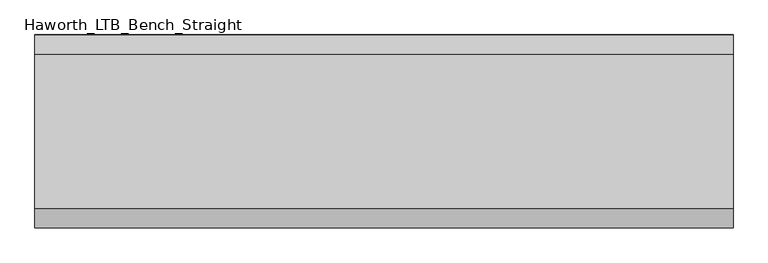
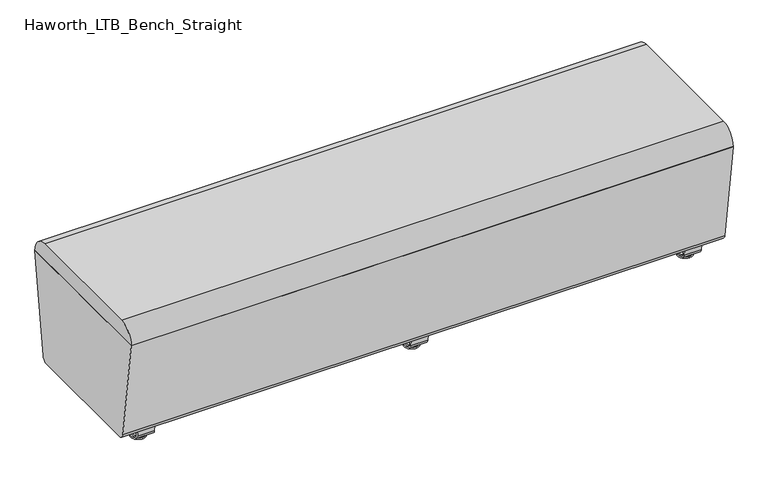
"""IFC4 building model written with IfcOpenShell, lengths in millimetres: furniture geometry, Haworth_LTB_Bench_Straight."""

import ifcopenshell
import ifcopenshell.guid

model = None  # the IFC model being written
_history = None  # IfcOwnerHistory: only IFC2X3 demands one
_inside = {}  # id of a spatial element -> (the spatial element, [elements in it])
_under = {}  # id of a project, library or spatial element -> (it, [spatial elements below it])
_declared = {}  # id of a project -> (the project, [libraries it declares])
_typed = {}  # id of a type object -> (the type object, [elements of that type])
_made_of = {}  # id of a material, layer set ... -> (it, [elements and type objects made of it])


def new_model(schema):
    """Start an empty IFC model of exactly this schema.

    Asked for "IFC4X3", IfcOpenShell would pick the latest addendum, in which some entities
    have other attributes; the version numbers below select the first issue.
    IFC2X3 requires an IfcOwnerHistory on every rooted entity: one is made here for all.
    """
    global model, _history
    if schema == "IFC4X3":
        model = ifcopenshell.file(schema_version=(4, 3, 0, 0))
    else:
        model = ifcopenshell.file(schema=schema)
    _inside.clear()
    _under.clear()
    _declared.clear()
    _typed.clear()
    _made_of.clear()
    _history = None
    if model.schema == "IFC2X3":
        org = make("IfcOrganization", Name="unknown")
        user = make(
            "IfcPersonAndOrganization",
            ThePerson=make("IfcPerson", FamilyName="unknown"),
            TheOrganization=org,
        )
        app = make(
            "IfcApplication",
            ApplicationDeveloper=org,
            Version="unknown",
            ApplicationFullName="unknown",
            ApplicationIdentifier="unknown",
        )
        _history = make(
            "IfcOwnerHistory",
            OwningUser=user,
            OwningApplication=app,
            ChangeAction="ADDED",
            CreationDate=0,
        )
    return model


def make(cls, **values):
    """One entity of the class cls with the attributes given. An attribute that is None is left unset."""
    return model.create_entity(
        cls, **{name: value for name, value in values.items() if value is not None}
    )


def rooted(cls, **values):
    """An entity with a GlobalId (a new one), such as an element, a storey or a relation."""
    return make(cls, GlobalId=ifcopenshell.guid.new(), OwnerHistory=_history, **values)


def si_unit(unit_type, name, prefix=None):
    """IfcSIUnit, for example si_unit("LENGTHUNIT", "METRE", prefix="MILLI")."""
    return make("IfcSIUnit", UnitType=unit_type, Prefix=prefix, Name=name)


def assignment(units):
    """IfcUnitAssignment: the units of a project."""
    return None if units is None else make("IfcUnitAssignment", Units=units)


def point(xyz):
    """IfcCartesianPoint."""
    return None if xyz is None else make("IfcCartesianPoint", Coordinates=xyz)


def direction(xyz):
    """IfcDirection."""
    return None if xyz is None else make("IfcDirection", DirectionRatios=xyz)


def frame(location, z_axis=None, x_axis=None):
    """IfcAxis2Placement3D, a coordinate frame: its origin and axes. An axis left out is left unset."""
    return make(
        "IfcAxis2Placement3D",
        Location=point(location),
        Axis=direction(z_axis),
        RefDirection=direction(x_axis),
    )


def frame_2d(location, x_axis=None):
    """IfcAxis2Placement2D, a coordinate frame in the plane: its origin and x axis."""
    return make(
        "IfcAxis2Placement2D", Location=point(location), RefDirection=direction(x_axis)
    )


def origin():
    """The frame at (0, 0, 0) with its axes left unset."""
    return frame((0.0, 0.0, 0.0))


def place(relative_to, where):
    """IfcLocalPlacement: puts the frame where relative to a parent placement (None: the world)."""
    return make(
        "IfcLocalPlacement", PlacementRelTo=relative_to, RelativePlacement=where
    )


def context(
    kind, dimensions, precision=None, world=None, true_north=None, identifier=None
):
    """IfcGeometricRepresentationContext, for example the 3D "Model" context."""
    return make(
        "IfcGeometricRepresentationContext",
        ContextIdentifier=identifier,
        ContextType=kind,
        CoordinateSpaceDimension=dimensions,
        Precision=precision,
        WorldCoordinateSystem=world,
        TrueNorth=true_north,
    )


def project(units=None, contexts=None):
    """IfcProject with its units and contexts."""
    return rooted(
        "IfcProject",
        Name="project",
        RepresentationContexts=contexts,
        UnitsInContext=assignment(units),
    )


def spatial(cls, under=None, at=None, **own):
    """A site, building, storey or space (cls), placed at a placement, below another one or the project."""
    s = rooted(cls, ObjectPlacement=at, **own)
    if under is not None:
        _under.setdefault(under.id(), (under, []))[1].append(s)
    return s


def polyline(points):
    """IfcPolyline through the points."""
    return make("IfcPolyline", Points=[point(p) for p in points])


def circle_curve(where, radius):
    """IfcCircle in the frame where."""
    return make("IfcCircle", Position=where, Radius=radius)


def ellipse_curve(where, semi_axis1, semi_axis2):
    """IfcEllipse in the frame where."""
    return make(
        "IfcEllipse", Position=where, SemiAxis1=semi_axis1, SemiAxis2=semi_axis2
    )


def trimmed(basis, trim1, trim2, sense, master):
    """IfcTrimmedCurve: the piece of a basis curve between two trims."""
    return make(
        "IfcTrimmedCurve",
        BasisCurve=basis,
        Trim1=trim1,
        Trim2=trim2,
        SenseAgreement=sense,
        MasterRepresentation=master,
    )


def segment(curve, same_sense, transition):
    """IfcCompositeCurveSegment."""
    return make(
        "IfcCompositeCurveSegment",
        Transition=transition,
        SameSense=same_sense,
        ParentCurve=curve,
    )


def composite_curve(segments, self_intersect=None):
    """IfcCompositeCurve: segments joined end to end."""
    return make("IfcCompositeCurve", Segments=segments, SelfIntersect=self_intersect)


def outline(outer, holes=None, kind="AREA"):
    """IfcArbitraryClosedProfileDef: a profile drawn as a closed curve; with holes, ...WithVoids."""
    if holes is None:
        return make("IfcArbitraryClosedProfileDef", ProfileType=kind, OuterCurve=outer)
    return make(
        "IfcArbitraryProfileDefWithVoids",
        ProfileType=kind,
        OuterCurve=outer,
        InnerCurves=holes,
    )


def extrude(swept, where, along, depth):
    """IfcExtrudedAreaSolid: the profile swept, set in the frame where, extruded along a direction by depth."""
    return make(
        "IfcExtrudedAreaSolid",
        SweptArea=swept,
        Position=where,
        ExtrudedDirection=direction(along),
        Depth=depth,
    )


def shape(context_of_items, identifier, shape_type, items):
    """IfcShapeRepresentation: the items that make up one representation, for example the "Body"."""
    return make(
        "IfcShapeRepresentation",
        ContextOfItems=context_of_items,
        RepresentationIdentifier=identifier,
        RepresentationType=shape_type,
        Items=items,
    )


def source(mapping_origin, context_of_items, identifier, shape_type, items):
    """IfcRepresentationMap: a shape defined once, which mapped items show again and again."""
    return make(
        "IfcRepresentationMap",
        MappingOrigin=mapping_origin,
        MappedRepresentation=shape(context_of_items, identifier, shape_type, items),
    )


def transform(
    local_origin,
    x_axis=None,
    y_axis=None,
    z_axis=None,
    scale=None,
    scale2=None,
    scale3=None,
    uniform=True,
):
    """IfcCartesianTransformationOperator3D, or its non-uniform kind. x_axis, y_axis, z_axis: its Axis1, 2, 3."""
    if uniform:
        return make(
            "IfcCartesianTransformationOperator3D",
            Axis1=direction(x_axis),
            Axis2=direction(y_axis),
            LocalOrigin=point(local_origin),
            Scale=scale,
            Axis3=direction(z_axis),
        )
    return make(
        "IfcCartesianTransformationOperator3DnonUniform",
        Axis1=direction(x_axis),
        Axis2=direction(y_axis),
        LocalOrigin=point(local_origin),
        Scale=scale,
        Axis3=direction(z_axis),
        Scale2=scale2,
        Scale3=scale3,
    )


def mapped(mapping_source, mapping_target):
    """IfcMappedItem: shows the shape of a source again, moved by a transform."""
    return make(
        "IfcMappedItem", MappingSource=mapping_source, MappingTarget=mapping_target
    )


def made_of(thing, what):
    """Note that an element or type object is made of a material, layer set ...; save() writes the relation."""
    if what is not None:
        _made_of.setdefault(what.id(), (what, []))[1].append(thing)
    return thing


def element(
    cls,
    number,
    at=None,
    inside=None,
    cuts=None,
    type_object=None,
    material=None,
    context=None,
    identifier="Body",
    shape_type=None,
    held_by="IfcProductDefinitionShape",
    body=None,
    shapes=None,
    **own,
):
    """One element of the class cls, such as IfcWall. Its Tag is "e" and its number.

    at: its placement. inside: the storey or other place that contains it. cuts: it is an
    opening in that element (IfcRelVoidsElement). A single representation is given by context,
    identifier, shape_type and body (its items); several are given by shapes. held_by: the class
    of the entity that holds the representations. save() writes the other relations.
    """
    e = rooted(cls, Tag="e%d" % number, ObjectPlacement=at, **own)
    if body is not None:
        shapes = [shape(context, identifier, shape_type, body)]
    if shapes is not None:
        e.Representation = make(held_by, Representations=shapes)
    if inside is not None:
        _inside.setdefault(inside.id(), (inside, []))[1].append(e)
    if cuts is not None:
        rooted(
            "IfcRelVoidsElement", RelatingBuildingElement=cuts, RelatedOpeningElement=e
        )
    if type_object is not None:
        _typed.setdefault(type_object.id(), (type_object, []))[1].append(e)
    return made_of(e, material)


def aggregate(whole, parts):
    """IfcRelAggregates: a whole, such as a stair, and the parts it consists of."""
    return rooted("IfcRelAggregates", RelatingObject=whole, RelatedObjects=parts)


def save(model, path):
    """Write the relations noted so far, then the file.

    IfcRelAggregates (storeys below a building ...), IfcRelContainedInSpatialStructure (elements
    in a storey), IfcRelDefinesByType, IfcRelAssociatesMaterial and IfcRelDeclares: one each for
    every whole, place, type object, material and project.
    """
    for whole, parts in _under.values():
        aggregate(whole, parts)
    for where, things in _inside.values():
        rooted(
            "IfcRelContainedInSpatialStructure",
            RelatedElements=things,
            RelatingStructure=where,
        )
    for kind, things in _typed.values():
        rooted("IfcRelDefinesByType", RelatedObjects=things, RelatingType=kind)
    for what, things in _made_of.values():
        rooted("IfcRelAssociatesMaterial", RelatedObjects=things, RelatingMaterial=what)
    for by, libraries in _declared.values():
        rooted("IfcRelDeclares", RelatingContext=by, RelatedDefinitions=libraries)
    model.write(path)


def plane_surface(at):
    """IfcPlane: the flat surface through the origin of the frame at, square to its z axis."""
    return make("IfcPlane", Position=at)


def cylinder_surface(at, radius):
    """IfcCylindricalSurface: all points at the distance radius from the z axis of the frame at."""
    return make("IfcCylindricalSurface", Position=at, Radius=radius)


def revolved_surface(curve, axis_point, axis_direction):
    """IfcSurfaceOfRevolution: the curve turned about the line through axis_point along axis_direction."""
    return make(
        "IfcSurfaceOfRevolution",
        SweptCurve=make("IfcArbitraryOpenProfileDef", ProfileType="CURVE", Curve=curve),
        AxisPosition=make("IfcAxis1Placement", Location=point(axis_point), Axis=direction(axis_direction)),
    )


def advanced_brep(points, edges, surfaces, faces):
    """IfcAdvancedBrep: a solid bounded by faces that lie on surfaces and meet in shared edges.

    An edge is (start, end): straight between two places in points (the first is 0);
    or (start, end, curve); or (start, end, curve, False) where it runs against its curve.
    A face is (place in surfaces, loops), or (place, loops, False) where it looks against
    its surface's normal. A loop lists edges by number (the first is 1), with a minus sign
    where the edge is run from its end to its start. The first loop is the outer one.
    """
    corners = [point(p) for p in points]
    vertices = [make("IfcVertexPoint", VertexGeometry=c) for c in corners]
    made = []
    for start, end, *more in edges:
        made.append(
            make(
                "IfcEdgeCurve",
                EdgeStart=vertices[start],
                EdgeEnd=vertices[end],
                EdgeGeometry=more[0] if more else make("IfcPolyline", Points=[corners[start], corners[end]]),
                SameSense=more[1] if len(more) > 1 else True,
            )
        )
    hull = []
    for where, loops, *sense in faces:
        bounds = []
        for j, loop in enumerate(loops):
            ring = [make("IfcOrientedEdge", EdgeElement=made[abs(k) - 1], Orientation=k > 0) for k in loop]
            bounds.append(
                make(
                    "IfcFaceOuterBound" if j == 0 else "IfcFaceBound",
                    Bound=make("IfcEdgeLoop", EdgeList=ring),
                    Orientation=True,
                )
            )
        hull.append(make("IfcAdvancedFace", Bounds=bounds, FaceSurface=surfaces[where], SameSense=sense[0] if sense else True))
    return make("IfcAdvancedBrep", Outer=make("IfcClosedShell", CfsFaces=hull))


def haworth_ltb_bench_straight_1c7bedd5(model_context):
    return source(origin(), model_context, "Body", "SolidModel", [
        advanced_brep(
        [(0.0, -134.8425052, 7.8133431), (0.0, -150.8355515, 7.8133431), (0.0, -147.6015284, 7.8133431), (0.0, -138.0765284, 7.8133431), (0.0, -120.9001513, 4.0775), (0.0, -164.7779054, 4.0775), (0.0, -121.3107026, 0.0), (0.0, -164.3673542, 0.0), (0.0, -142.8390284, 0.0), (0.0, -138.0765284, 50.0000004), (0.0, -147.6015284, 50.0000004), (0.0, -142.8390284, 50.0000004)],
        [
            (0, 1, circle_curve(frame((0.0, -142.8390284, 7.8133431), z_axis=(0.0, 0.0, 1.0), x_axis=(0.0, -1.0, 0.0)), 7.9965232)),
            (1, 2),
            (2, 3, circle_curve(frame((0.0, -142.8390284, 7.8133431), z_axis=(0.0, 0.0, -1.0), x_axis=(0.0, -1.0, 0.0)), 4.7625)),
            (3, 0),
            (1, 0, circle_curve(frame((0.0, -142.8390284, 7.8133431), z_axis=(0.0, 0.0, 1.0), x_axis=(0.0, -1.0, 0.0)), 7.9965232)),
            (3, 2, circle_curve(frame((0.0, -142.8390284, 7.8133431), z_axis=(0.0, 0.0, -1.0), x_axis=(0.0, -1.0, 0.0)), 4.7625)),
            (4, 5, circle_curve(frame((0.0, -142.8390284, 4.0775), z_axis=(0.0, 0.0, 1.0), x_axis=(0.0, -1.0, 0.0)), 21.9388771)),
            (5, 1),
            (0, 4),
            (5, 4, circle_curve(frame((0.0, -142.8390284, 4.0775), z_axis=(0.0, 0.0, 1.0), x_axis=(0.0, -1.0, 0.0)), 21.9388771)),
            (6, 7, circle_curve(frame((0.0, -142.8390284, 0.0), z_axis=(0.0, 0.0, 1.0), x_axis=(0.0, -1.0, 0.0)), 21.5283258)),
            (7, 5, circle_curve(frame((0.0, -164.2405822, 2.0721829), z_axis=(-1.0, 0.0, 0.0), x_axis=(0.0, 1.0, 0.0)), 2.0760571)),
            (4, 6, circle_curve(frame((0.0, -121.4374745, 2.0721829), z_axis=(-1.0, 0.0, 0.0), x_axis=(0.0, -1.0, 0.0)), 2.0760571)),
            (7, 6, circle_curve(frame((0.0, -142.8390284, 0.0), z_axis=(0.0, 0.0, 1.0), x_axis=(0.0, -1.0, 0.0)), 21.5283258)),
            (8, 7),
            (6, 8),
            (9, 10, circle_curve(frame((0.0, -142.8390284, 50.0000004), z_axis=(0.0, 0.0, 1.0), x_axis=(0.0, -1.0, 0.0)), 4.7625)),
            (10, 11),
            (11, 9),
            (10, 9, circle_curve(frame((0.0, -142.8390284, 50.0000004), z_axis=(0.0, 0.0, 1.0), x_axis=(0.0, -1.0, 0.0)), 4.7625)),
            (2, 10),
            (9, 3),
        ],
        [
            plane_surface(frame((0.0, -142.8390284, 7.8133431), z_axis=(0.0, 0.0, 1.0), x_axis=(0.0, -1.0, 0.0))),
            revolved_surface(polyline([(0.0, -150.8355515, 7.8133431), (0.0, -164.7779054, 4.0775)]), (0.0, -142.8390284, 0.0), (0.0, 0.0, -1.0)),
            revolved_surface(trimmed(ellipse_curve(frame((0.0, -164.2405822, 2.0721829), z_axis=(1.0, 0.0, 0.0), x_axis=(0.0, 1.0, 0.0)), 2.0760571, 2.0760571), [point((0.0, -164.7779054, 4.0775))], [point((0.0, -164.3673542, 0.0))], True, "CARTESIAN"), (0.0, -142.8390284, 0.0), (0.0, 0.0, -1.0)),
            plane_surface(frame((0.0, -142.8390284, 0.0), z_axis=(0.0, 0.0, -1.0), x_axis=(0.0, -1.0, 0.0))),
            plane_surface(frame((0.0, -142.8390284, 50.0000004), z_axis=(0.0, 0.0, 1.0), x_axis=(0.0, -1.0, 0.0))),
            cylinder_surface(frame((0.0, -142.8390284, 0.0), z_axis=(0.0, 0.0, -1.0), x_axis=(0.0, -1.0, 0.0)), 4.7625),
        ],
        [
            (0, [[1, 2, 3, 4]]),
            (0, [[5, -4, 6, -2]]),
            (1, [[7, 8, -1, 9]]),
            (1, [[10, -9, -5, -8]]),
            (2, [[11, 12, -7, 13]]),
            (2, [[14, -13, -10, -12]]),
            (3, [[15, -11, 16]]),
            (3, [[-16, -14, -15]]),
            (4, [[17, 18, 19]]),
            (4, [[20, -19, -18]]),
            (5, [[-3, 21, -17, 22]]),
            (5, [[-6, -22, -20, -21]]),
        ],
    ),
        advanced_brep(
        [(0.0, 138.0765284, 7.8133431), (0.0, 147.6015284, 7.8133431), (0.0, 150.8355515, 7.8133431), (0.0, 134.8425052, 7.8133431), (0.0, 164.7779054, 4.0775), (0.0, 120.9001513, 4.0775), (0.0, 164.3673542, 0.0), (0.0, 121.3107026, 0.0), (0.0, 142.8390284, 0.0), (0.0, 142.8390284, 50.0000004), (0.0, 147.6015284, 50.0000004), (0.0, 138.0765284, 50.0000004)],
        [
            (0, 1, circle_curve(frame((0.0, 142.8390284, 7.8133431), z_axis=(0.0, 0.0, -1.0), x_axis=(0.0, 1.0, 0.0)), 4.7625)),
            (1, 2),
            (2, 3, circle_curve(frame((0.0, 142.8390284, 7.8133431), z_axis=(0.0, 0.0, 1.0), x_axis=(0.0, 1.0, 0.0)), 7.9965232)),
            (3, 0),
            (1, 0, circle_curve(frame((0.0, 142.8390284, 7.8133431), z_axis=(0.0, 0.0, -1.0), x_axis=(0.0, 1.0, 0.0)), 4.7625)),
            (3, 2, circle_curve(frame((0.0, 142.8390284, 7.8133431), z_axis=(0.0, 0.0, 1.0), x_axis=(0.0, 1.0, 0.0)), 7.9965232)),
            (2, 4),
            (4, 5, circle_curve(frame((0.0, 142.8390284, 4.0775), z_axis=(0.0, 0.0, 1.0), x_axis=(0.0, 1.0, 0.0)), 21.9388771)),
            (5, 3),
            (5, 4, circle_curve(frame((0.0, 142.8390284, 4.0775), z_axis=(0.0, 0.0, 1.0), x_axis=(0.0, 1.0, 0.0)), 21.9388771)),
            (4, 6, circle_curve(frame((0.0, 164.2405822, 2.0721829), z_axis=(-1.0, 0.0, 0.0), x_axis=(0.0, -1.0, 0.0)), 2.0760571)),
            (6, 7, circle_curve(frame((0.0, 142.8390284, 0.0), z_axis=(0.0, 0.0, 1.0), x_axis=(0.0, 1.0, 0.0)), 21.5283258)),
            (7, 5, circle_curve(frame((0.0, 121.4374745, 2.0721829), z_axis=(-1.0, 0.0, 0.0), x_axis=(0.0, 1.0, 0.0)), 2.0760571)),
            (7, 6, circle_curve(frame((0.0, 142.8390284, 0.0), z_axis=(0.0, 0.0, 1.0), x_axis=(0.0, 1.0, 0.0)), 21.5283258)),
            (6, 8),
            (8, 7),
            (9, 10),
            (10, 11, circle_curve(frame((0.0, 142.8390284, 50.0000004), z_axis=(0.0, 0.0, 1.0), x_axis=(0.0, 1.0, 0.0)), 4.7625)),
            (11, 9),
            (11, 10, circle_curve(frame((0.0, 142.8390284, 50.0000004), z_axis=(0.0, 0.0, 1.0), x_axis=(0.0, 1.0, 0.0)), 4.7625)),
            (10, 1),
            (0, 11),
        ],
        [
            plane_surface(frame((0.0, 142.8390284, 7.8133431), z_axis=(0.0, 0.0, 1.0), x_axis=(0.0, 1.0, 0.0))),
            revolved_surface(polyline([(0.0, 164.7779054, 4.0775), (0.0, 150.8355515, 7.8133431)]), (0.0, 142.8390284, 0.0), (0.0, 0.0, 1.0)),
            revolved_surface(trimmed(ellipse_curve(frame((0.0, 164.2405822, 2.0721829), z_axis=(1.0, 0.0, 0.0), x_axis=(0.0, -1.0, 0.0)), 2.0760571, 2.0760571), [point((0.0, 164.3673542, 0.0))], [point((0.0, 164.7779054, 4.0775))], True, "CARTESIAN"), (0.0, 142.8390284, 0.0), (0.0, 0.0, 1.0)),
            plane_surface(frame((0.0, 142.8390284, 0.0), z_axis=(0.0, 0.0, -1.0), x_axis=(0.0, 1.0, 0.0))),
            plane_surface(frame((0.0, 142.8390284, 50.0000004), z_axis=(0.0, 0.0, 1.0), x_axis=(0.0, 1.0, 0.0))),
            cylinder_surface(frame((0.0, 142.8390284, 0.0), z_axis=(0.0, 0.0, 1.0), x_axis=(0.0, 1.0, 0.0)), 4.7625),
        ],
        [
            (0, [[1, 2, 3, 4]]),
            (0, [[5, -4, 6, -2]]),
            (1, [[-3, 7, 8, 9]]),
            (1, [[-6, -9, 10, -7]]),
            (2, [[-8, 11, 12, 13]]),
            (2, [[-10, -13, 14, -11]]),
            (3, [[-12, 15, 16]]),
            (3, [[-14, -16, -15]]),
            (4, [[17, 18, 19]]),
            (4, [[-19, 20, -17]]),
            (5, [[-18, 21, -1, 22]]),
            (5, [[-20, -22, -5, -21]]),
        ],
    ),
        extrude(outline(composite_curve([segment(polyline([(188.6158944, 62.9950557), (183.6853496, 27.9124042)]), True, "CONTINUOUS"), segment(trimmed(circle_curve(frame_2d((168.8313276, 30.0000007)), 15.000001), [point((183.6853496, 27.9124042))], [point((168.8313276, 14.9999997))], False, "CARTESIAN"), True, "CONTINUOUS"), segment(polyline([(168.8313276, 14.9999997), (-168.8313276, 14.9999997)]), True, "CONTINUOUS"), segment(trimmed(circle_curve(frame_2d((-168.8313276, 30.0000007)), 15.000001), [point((-168.8313276, 14.9999997))], [point((-183.6853496, 27.9124042))], False, "CARTESIAN"), True, "CONTINUOUS"), segment(polyline([(-183.6853496, 27.9124042), (-188.6158944, 62.9950557), (-182.9812615, 63.7869505), (-178.0507241, 28.7043023)]), True, "CONTINUOUS"), segment(trimmed(circle_curve(frame_2d((-168.8313262, 30.0000023)), 9.310002), [point((-178.0507241, 28.7043023))], [point((-168.8313262, 20.6900003))], True, "CARTESIAN"), True, "CONTINUOUS"), segment(polyline([(-168.8313262, 20.6900003), (168.8313262, 20.6900003)]), True, "CONTINUOUS"), segment(trimmed(circle_curve(frame_2d((168.8313262, 30.0000023)), 9.310002), [point((168.8313262, 20.6900003))], [point((178.0507241, 28.7043023))], True, "CARTESIAN"), True, "CONTINUOUS"), segment(polyline([(178.0507241, 28.7043023), (182.9812615, 63.7869505), (188.6158944, 62.9950557)]), True, "CONTINUOUS")], self_intersect=False)), frame((-25.4, 0.0, 0.0), z_axis=(1.0, 0.0, 0.0), x_axis=(0.0, 1.0, 0.0)), (0.0, 0.0, 1.0), 50.8),
        advanced_brep(
        [(819.2045358, -134.8425052, 7.8133431), (819.2045358, -150.8355515, 7.8133431), (819.2045358, -147.6015284, 7.8133431), (819.2045358, -138.0765284, 7.8133431), (819.2045358, -120.9001513, 4.0775), (819.2045358, -164.7779054, 4.0775), (819.2045358, -121.3107026, 0.0), (819.2045358, -164.3673542, 0.0), (819.2045358, -142.8390284, 0.0), (819.2045358, -138.0765284, 50.0000004), (819.2045358, -147.6015284, 50.0000004), (819.2045358, -142.8390284, 50.0000004)],
        [
            (0, 1, circle_curve(frame((819.2045358, -142.8390284, 7.8133431), z_axis=(0.0, 0.0, 1.0), x_axis=(0.0, -1.0, 0.0)), 7.9965232)),
            (1, 2),
            (2, 3, circle_curve(frame((819.2045358, -142.8390284, 7.8133431), z_axis=(0.0, 0.0, -1.0), x_axis=(0.0, -1.0, 0.0)), 4.7625)),
            (3, 0),
            (1, 0, circle_curve(frame((819.2045358, -142.8390284, 7.8133431), z_axis=(0.0, 0.0, 1.0), x_axis=(0.0, -1.0, 0.0)), 7.9965232)),
            (3, 2, circle_curve(frame((819.2045358, -142.8390284, 7.8133431), z_axis=(0.0, 0.0, -1.0), x_axis=(0.0, -1.0, 0.0)), 4.7625)),
            (4, 5, circle_curve(frame((819.2045358, -142.8390284, 4.0775), z_axis=(0.0, 0.0, 1.0), x_axis=(0.0, -1.0, 0.0)), 21.9388771)),
            (5, 1),
            (0, 4),
            (5, 4, circle_curve(frame((819.2045358, -142.8390284, 4.0775), z_axis=(0.0, 0.0, 1.0), x_axis=(0.0, -1.0, 0.0)), 21.9388771)),
            (6, 7, circle_curve(frame((819.2045358, -142.8390284, 0.0), z_axis=(0.0, 0.0, 1.0), x_axis=(0.0, -1.0, 0.0)), 21.5283258)),
            (7, 5, circle_curve(frame((819.2045358, -164.2405822, 2.0721829), z_axis=(-1.0, 0.0, 0.0), x_axis=(0.0, 1.0, 0.0)), 2.0760571)),
            (4, 6, circle_curve(frame((819.2045358, -121.4374745, 2.0721829), z_axis=(-1.0, 0.0, 0.0), x_axis=(0.0, -1.0, 0.0)), 2.0760571)),
            (7, 6, circle_curve(frame((819.2045358, -142.8390284, 0.0), z_axis=(0.0, 0.0, 1.0), x_axis=(0.0, -1.0, 0.0)), 21.5283258)),
            (8, 7),
            (6, 8),
            (9, 10, circle_curve(frame((819.2045358, -142.8390284, 50.0000004), z_axis=(0.0, 0.0, 1.0), x_axis=(0.0, -1.0, 0.0)), 4.7625)),
            (10, 11),
            (11, 9),
            (10, 9, circle_curve(frame((819.2045358, -142.8390284, 50.0000004), z_axis=(0.0, 0.0, 1.0), x_axis=(0.0, -1.0, 0.0)), 4.7625)),
            (2, 10),
            (9, 3),
        ],
        [
            plane_surface(frame((819.2045358, -142.8390284, 7.8133431), z_axis=(0.0, 0.0, 1.0), x_axis=(0.0, -1.0, 0.0))),
            revolved_surface(polyline([(819.2045358, -150.8355515, 7.8133431), (819.2045358, -164.7779054, 4.0775)]), (819.2045358, -142.8390284, 0.0), (0.0, 0.0, -1.0)),
            revolved_surface(trimmed(ellipse_curve(frame((819.2045358, -164.2405822, 2.0721829), z_axis=(1.0, 0.0, 0.0), x_axis=(0.0, 1.0, 0.0)), 2.0760571, 2.0760571), [point((819.2045358, -164.7779054, 4.0775))], [point((819.2045358, -164.3673542, 0.0))], True, "CARTESIAN"), (819.2045358, -142.8390284, 0.0), (0.0, 0.0, -1.0)),
            plane_surface(frame((819.2045358, -142.8390284, 0.0), z_axis=(0.0, 0.0, -1.0), x_axis=(0.0, -1.0, 0.0))),
            plane_surface(frame((819.2045358, -142.8390284, 50.0000004), z_axis=(0.0, 0.0, 1.0), x_axis=(0.0, -1.0, 0.0))),
            cylinder_surface(frame((819.2045358, -142.8390284, 0.0), z_axis=(0.0, 0.0, -1.0), x_axis=(0.0, -1.0, 0.0)), 4.7625),
        ],
        [
            (0, [[1, 2, 3, 4]]),
            (0, [[5, -4, 6, -2]]),
            (1, [[7, 8, -1, 9]]),
            (1, [[10, -9, -5, -8]]),
            (2, [[11, 12, -7, 13]]),
            (2, [[14, -13, -10, -12]]),
            (3, [[15, -11, 16]]),
            (3, [[-16, -14, -15]]),
            (4, [[17, 18, 19]]),
            (4, [[20, -19, -18]]),
            (5, [[-3, 21, -17, 22]]),
            (5, [[-6, -22, -20, -21]]),
        ],
    ),
        advanced_brep(
        [(819.2045358, 138.0765284, 7.8133431), (819.2045358, 147.6015284, 7.8133431), (819.2045358, 150.8355515, 7.8133431), (819.2045358, 134.8425052, 7.8133431), (819.2045358, 164.7779054, 4.0775), (819.2045358, 120.9001513, 4.0775), (819.2045358, 164.3673542, 0.0), (819.2045358, 121.3107026, 0.0), (819.2045358, 142.8390284, 0.0), (819.2045358, 142.8390284, 50.0000004), (819.2045358, 147.6015284, 50.0000004), (819.2045358, 138.0765284, 50.0000004)],
        [
            (0, 1, circle_curve(frame((819.2045358, 142.8390284, 7.8133431), z_axis=(0.0, 0.0, -1.0), x_axis=(0.0, 1.0, 0.0)), 4.7625)),
            (1, 2),
            (2, 3, circle_curve(frame((819.2045358, 142.8390284, 7.8133431), z_axis=(0.0, 0.0, 1.0), x_axis=(0.0, 1.0, 0.0)), 7.9965232)),
            (3, 0),
            (1, 0, circle_curve(frame((819.2045358, 142.8390284, 7.8133431), z_axis=(0.0, 0.0, -1.0), x_axis=(0.0, 1.0, 0.0)), 4.7625)),
            (3, 2, circle_curve(frame((819.2045358, 142.8390284, 7.8133431), z_axis=(0.0, 0.0, 1.0), x_axis=(0.0, 1.0, 0.0)), 7.9965232)),
            (2, 4),
            (4, 5, circle_curve(frame((819.2045358, 142.8390284, 4.0775), z_axis=(0.0, 0.0, 1.0), x_axis=(0.0, 1.0, 0.0)), 21.9388771)),
            (5, 3),
            (5, 4, circle_curve(frame((819.2045358, 142.8390284, 4.0775), z_axis=(0.0, 0.0, 1.0), x_axis=(0.0, 1.0, 0.0)), 21.9388771)),
            (4, 6, circle_curve(frame((819.2045358, 164.2405822, 2.0721829), z_axis=(-1.0, 0.0, 0.0), x_axis=(0.0, -1.0, 0.0)), 2.0760571)),
            (6, 7, circle_curve(frame((819.2045358, 142.8390284, 0.0), z_axis=(0.0, 0.0, 1.0), x_axis=(0.0, 1.0, 0.0)), 21.5283258)),
            (7, 5, circle_curve(frame((819.2045358, 121.4374745, 2.0721829), z_axis=(-1.0, 0.0, 0.0), x_axis=(0.0, 1.0, 0.0)), 2.0760571)),
            (7, 6, circle_curve(frame((819.2045358, 142.8390284, 0.0), z_axis=(0.0, 0.0, 1.0), x_axis=(0.0, 1.0, 0.0)), 21.5283258)),
            (6, 8),
            (8, 7),
            (9, 10),
            (10, 11, circle_curve(frame((819.2045358, 142.8390284, 50.0000004), z_axis=(0.0, 0.0, 1.0), x_axis=(0.0, 1.0, 0.0)), 4.7625)),
            (11, 9),
            (11, 10, circle_curve(frame((819.2045358, 142.8390284, 50.0000004), z_axis=(0.0, 0.0, 1.0), x_axis=(0.0, 1.0, 0.0)), 4.7625)),
            (10, 1),
            (0, 11),
        ],
        [
            plane_surface(frame((819.2045358, 142.8390284, 7.8133431), z_axis=(0.0, 0.0, 1.0), x_axis=(0.0, 1.0, 0.0))),
            revolved_surface(polyline([(819.2045358, 164.7779054, 4.0775), (819.2045358, 150.8355515, 7.8133431)]), (819.2045358, 142.8390284, 0.0), (0.0, 0.0, 1.0)),
            revolved_surface(trimmed(ellipse_curve(frame((819.2045358, 164.2405822, 2.0721829), z_axis=(1.0, 0.0, 0.0), x_axis=(0.0, -1.0, 0.0)), 2.0760571, 2.0760571), [point((819.2045358, 164.3673542, 0.0))], [point((819.2045358, 164.7779054, 4.0775))], True, "CARTESIAN"), (819.2045358, 142.8390284, 0.0), (0.0, 0.0, 1.0)),
            plane_surface(frame((819.2045358, 142.8390284, 0.0), z_axis=(0.0, 0.0, -1.0), x_axis=(0.0, 1.0, 0.0))),
            plane_surface(frame((819.2045358, 142.8390284, 50.0000004), z_axis=(0.0, 0.0, 1.0), x_axis=(0.0, 1.0, 0.0))),
            cylinder_surface(frame((819.2045358, 142.8390284, 0.0), z_axis=(0.0, 0.0, 1.0), x_axis=(0.0, 1.0, 0.0)), 4.7625),
        ],
        [
            (0, [[1, 2, 3, 4]]),
            (0, [[5, -4, 6, -2]]),
            (1, [[-3, 7, 8, 9]]),
            (1, [[-6, -9, 10, -7]]),
            (2, [[-8, 11, 12, 13]]),
            (2, [[-10, -13, 14, -11]]),
            (3, [[-12, 15, 16]]),
            (3, [[-14, -16, -15]]),
            (4, [[17, 18, 19]]),
            (4, [[-19, 20, -17]]),
            (5, [[-18, 21, -1, 22]]),
            (5, [[-20, -22, -5, -21]]),
        ],
    ),
        extrude(outline(composite_curve([segment(polyline([(188.6158944, 62.9950557), (183.6853496, 27.9124042)]), True, "CONTINUOUS"), segment(trimmed(circle_curve(frame_2d((168.8313276, 30.0000007)), 15.000001), [point((183.6853496, 27.9124042))], [point((168.8313276, 14.9999997))], False, "CARTESIAN"), True, "CONTINUOUS"), segment(polyline([(168.8313276, 14.9999997), (-168.8313276, 14.9999997)]), True, "CONTINUOUS"), segment(trimmed(circle_curve(frame_2d((-168.8313276, 30.0000007)), 15.000001), [point((-168.8313276, 14.9999997))], [point((-183.6853496, 27.9124042))], False, "CARTESIAN"), True, "CONTINUOUS"), segment(polyline([(-183.6853496, 27.9124042), (-188.6158944, 62.9950557), (-182.9812615, 63.7869505), (-178.0507241, 28.7043023)]), True, "CONTINUOUS"), segment(trimmed(circle_curve(frame_2d((-168.8313262, 30.0000023)), 9.310002), [point((-178.0507241, 28.7043023))], [point((-168.8313262, 20.6900003))], True, "CARTESIAN"), True, "CONTINUOUS"), segment(polyline([(-168.8313262, 20.6900003), (168.8313262, 20.6900003)]), True, "CONTINUOUS"), segment(trimmed(circle_curve(frame_2d((168.8313262, 30.0000023)), 9.310002), [point((168.8313262, 20.6900003))], [point((178.0507241, 28.7043023))], True, "CARTESIAN"), True, "CONTINUOUS"), segment(polyline([(178.0507241, 28.7043023), (182.9812615, 63.7869505), (188.6158944, 62.9950557)]), True, "CONTINUOUS")], self_intersect=False)), frame((793.8045358, 0.0, 0.0), z_axis=(1.0, 0.0, 0.0), x_axis=(0.0, 1.0, 0.0)), (0.0, 0.0, 1.0), 50.8),
        advanced_brep(
        [(-819.2045358, -138.0765284, 7.8133431), (-819.2045358, -147.6015284, 7.8133431), (-819.2045358, -150.8355515, 7.8133431), (-819.2045358, -134.8425052, 7.8133431), (-819.2045358, -164.7779054, 4.0775), (-819.2045358, -120.9001513, 4.0775), (-819.2045358, -164.3673542, 0.0), (-819.2045358, -121.3107026, 0.0), (-819.2045358, -142.8390284, 0.0), (-819.2045358, -142.8390284, 50.0000004), (-819.2045358, -147.6015284, 50.0000004), (-819.2045358, -138.0765284, 50.0000004)],
        [
            (0, 1, circle_curve(frame((-819.2045358, -142.8390284, 7.8133431), z_axis=(0.0, 0.0, -1.0), x_axis=(0.0, -1.0, 0.0)), 4.7625)),
            (1, 2),
            (2, 3, circle_curve(frame((-819.2045358, -142.8390284, 7.8133431), z_axis=(0.0, 0.0, 1.0), x_axis=(0.0, -1.0, 0.0)), 7.9965232)),
            (3, 0),
            (1, 0, circle_curve(frame((-819.2045358, -142.8390284, 7.8133431), z_axis=(0.0, 0.0, -1.0), x_axis=(0.0, -1.0, 0.0)), 4.7625)),
            (3, 2, circle_curve(frame((-819.2045358, -142.8390284, 7.8133431), z_axis=(0.0, 0.0, 1.0), x_axis=(0.0, -1.0, 0.0)), 7.9965232)),
            (2, 4),
            (4, 5, circle_curve(frame((-819.2045358, -142.8390284, 4.0775), z_axis=(0.0, 0.0, 1.0), x_axis=(0.0, -1.0, 0.0)), 21.9388771)),
            (5, 3),
            (5, 4, circle_curve(frame((-819.2045358, -142.8390284, 4.0775), z_axis=(0.0, 0.0, 1.0), x_axis=(0.0, -1.0, 0.0)), 21.9388771)),
            (4, 6, circle_curve(frame((-819.2045358, -164.2405822, 2.0721829), z_axis=(1.0, 0.0, 0.0), x_axis=(0.0, 1.0, 0.0)), 2.0760571)),
            (6, 7, circle_curve(frame((-819.2045358, -142.8390284, 0.0), z_axis=(0.0, 0.0, 1.0), x_axis=(0.0, -1.0, 0.0)), 21.5283258)),
            (7, 5, circle_curve(frame((-819.2045358, -121.4374745, 2.0721829), z_axis=(1.0, 0.0, 0.0), x_axis=(0.0, -1.0, 0.0)), 2.0760571)),
            (7, 6, circle_curve(frame((-819.2045358, -142.8390284, 0.0), z_axis=(0.0, 0.0, 1.0), x_axis=(0.0, -1.0, 0.0)), 21.5283258)),
            (6, 8),
            (8, 7),
            (9, 10),
            (10, 11, circle_curve(frame((-819.2045358, -142.8390284, 50.0000004), z_axis=(0.0, 0.0, 1.0), x_axis=(0.0, -1.0, 0.0)), 4.7625)),
            (11, 9),
            (11, 10, circle_curve(frame((-819.2045358, -142.8390284, 50.0000004), z_axis=(0.0, 0.0, 1.0), x_axis=(0.0, -1.0, 0.0)), 4.7625)),
            (10, 1),
            (0, 11),
        ],
        [
            plane_surface(frame((-819.2045358, -142.8390284, 7.8133431), z_axis=(0.0, 0.0, 1.0), x_axis=(0.0, -1.0, 0.0))),
            revolved_surface(polyline([(-819.2045358, -164.7779054, 4.0775), (-819.2045358, -150.8355515, 7.8133431)]), (-819.2045358, -142.8390284, 0.0), (0.0, 0.0, 1.0)),
            revolved_surface(trimmed(ellipse_curve(frame((-819.2045358, -164.2405822, 2.0721829), z_axis=(-1.0, 0.0, 0.0), x_axis=(0.0, 1.0, 0.0)), 2.0760571, 2.0760571), [point((-819.2045358, -164.3673542, 0.0))], [point((-819.2045358, -164.7779054, 4.0775))], True, "CARTESIAN"), (-819.2045358, -142.8390284, 0.0), (0.0, 0.0, 1.0)),
            plane_surface(frame((-819.2045358, -142.8390284, 0.0), z_axis=(0.0, 0.0, -1.0), x_axis=(0.0, -1.0, 0.0))),
            plane_surface(frame((-819.2045358, -142.8390284, 50.0000004), z_axis=(0.0, 0.0, 1.0), x_axis=(0.0, -1.0, 0.0))),
            cylinder_surface(frame((-819.2045358, -142.8390284, 0.0), z_axis=(0.0, 0.0, 1.0), x_axis=(0.0, -1.0, 0.0)), 4.7625),
        ],
        [
            (0, [[1, 2, 3, 4]]),
            (0, [[5, -4, 6, -2]]),
            (1, [[-3, 7, 8, 9]]),
            (1, [[-6, -9, 10, -7]]),
            (2, [[-8, 11, 12, 13]]),
            (2, [[-10, -13, 14, -11]]),
            (3, [[-12, 15, 16]]),
            (3, [[-14, -16, -15]]),
            (4, [[17, 18, 19]]),
            (4, [[-19, 20, -17]]),
            (5, [[-18, 21, -1, 22]]),
            (5, [[-20, -22, -5, -21]]),
        ],
    ),
        advanced_brep(
        [(-819.2045358, 134.8425052, 7.8133431), (-819.2045358, 150.8355515, 7.8133431), (-819.2045358, 147.6015284, 7.8133431), (-819.2045358, 138.0765284, 7.8133431), (-819.2045358, 120.9001513, 4.0775), (-819.2045358, 164.7779054, 4.0775), (-819.2045358, 121.3107026, 0.0), (-819.2045358, 164.3673542, 0.0), (-819.2045358, 142.8390284, 0.0), (-819.2045358, 138.0765284, 50.0000004), (-819.2045358, 147.6015284, 50.0000004), (-819.2045358, 142.8390284, 50.0000004)],
        [
            (0, 1, circle_curve(frame((-819.2045358, 142.8390284, 7.8133431), z_axis=(0.0, 0.0, 1.0), x_axis=(0.0, 1.0, 0.0)), 7.9965232)),
            (1, 2),
            (2, 3, circle_curve(frame((-819.2045358, 142.8390284, 7.8133431), z_axis=(0.0, 0.0, -1.0), x_axis=(0.0, 1.0, 0.0)), 4.7625)),
            (3, 0),
            (1, 0, circle_curve(frame((-819.2045358, 142.8390284, 7.8133431), z_axis=(0.0, 0.0, 1.0), x_axis=(0.0, 1.0, 0.0)), 7.9965232)),
            (3, 2, circle_curve(frame((-819.2045358, 142.8390284, 7.8133431), z_axis=(0.0, 0.0, -1.0), x_axis=(0.0, 1.0, 0.0)), 4.7625)),
            (4, 5, circle_curve(frame((-819.2045358, 142.8390284, 4.0775), z_axis=(0.0, 0.0, 1.0), x_axis=(0.0, 1.0, 0.0)), 21.9388771)),
            (5, 1),
            (0, 4),
            (5, 4, circle_curve(frame((-819.2045358, 142.8390284, 4.0775), z_axis=(0.0, 0.0, 1.0), x_axis=(0.0, 1.0, 0.0)), 21.9388771)),
            (6, 7, circle_curve(frame((-819.2045358, 142.8390284, 0.0), z_axis=(0.0, 0.0, 1.0), x_axis=(0.0, 1.0, 0.0)), 21.5283258)),
            (7, 5, circle_curve(frame((-819.2045358, 164.2405822, 2.0721829), z_axis=(1.0, 0.0, 0.0), x_axis=(0.0, -1.0, 0.0)), 2.0760571)),
            (4, 6, circle_curve(frame((-819.2045358, 121.4374745, 2.0721829), z_axis=(1.0, 0.0, 0.0), x_axis=(0.0, 1.0, 0.0)), 2.0760571)),
            (7, 6, circle_curve(frame((-819.2045358, 142.8390284, 0.0), z_axis=(0.0, 0.0, 1.0), x_axis=(0.0, 1.0, 0.0)), 21.5283258)),
            (8, 7),
            (6, 8),
            (9, 10, circle_curve(frame((-819.2045358, 142.8390284, 50.0000004), z_axis=(0.0, 0.0, 1.0), x_axis=(0.0, 1.0, 0.0)), 4.7625)),
            (10, 11),
            (11, 9),
            (10, 9, circle_curve(frame((-819.2045358, 142.8390284, 50.0000004), z_axis=(0.0, 0.0, 1.0), x_axis=(0.0, 1.0, 0.0)), 4.7625)),
            (2, 10),
            (9, 3),
        ],
        [
            plane_surface(frame((-819.2045358, 142.8390284, 7.8133431), z_axis=(0.0, 0.0, 1.0), x_axis=(0.0, 1.0, 0.0))),
            revolved_surface(polyline([(-819.2045358, 150.8355515, 7.8133431), (-819.2045358, 164.7779054, 4.0775)]), (-819.2045358, 142.8390284, 0.0), (0.0, 0.0, -1.0)),
            revolved_surface(trimmed(ellipse_curve(frame((-819.2045358, 164.2405822, 2.0721829), z_axis=(-1.0, 0.0, 0.0), x_axis=(0.0, -1.0, 0.0)), 2.0760571, 2.0760571), [point((-819.2045358, 164.7779054, 4.0775))], [point((-819.2045358, 164.3673542, 0.0))], True, "CARTESIAN"), (-819.2045358, 142.8390284, 0.0), (0.0, 0.0, -1.0)),
            plane_surface(frame((-819.2045358, 142.8390284, 0.0), z_axis=(0.0, 0.0, -1.0), x_axis=(0.0, 1.0, 0.0))),
            plane_surface(frame((-819.2045358, 142.8390284, 50.0000004), z_axis=(0.0, 0.0, 1.0), x_axis=(0.0, 1.0, 0.0))),
            cylinder_surface(frame((-819.2045358, 142.8390284, 0.0), z_axis=(0.0, 0.0, -1.0), x_axis=(0.0, 1.0, 0.0)), 4.7625),
        ],
        [
            (0, [[1, 2, 3, 4]]),
            (0, [[5, -4, 6, -2]]),
            (1, [[7, 8, -1, 9]]),
            (1, [[10, -9, -5, -8]]),
            (2, [[11, 12, -7, 13]]),
            (2, [[14, -13, -10, -12]]),
            (3, [[15, -11, 16]]),
            (3, [[-16, -14, -15]]),
            (4, [[17, 18, 19]]),
            (4, [[20, -19, -18]]),
            (5, [[-3, 21, -17, 22]]),
            (5, [[-6, -22, -20, -21]]),
        ],
    ),
        extrude(outline(composite_curve([segment(polyline([(188.6158944, 62.9950557), (183.6853496, 27.9124042)]), True, "CONTINUOUS"), segment(trimmed(circle_curve(frame_2d((168.8313276, 30.0000007)), 15.000001), [point((183.6853496, 27.9124042))], [point((168.8313276, 14.9999997))], False, "CARTESIAN"), True, "CONTINUOUS"), segment(polyline([(168.8313276, 14.9999997), (-168.8313276, 14.9999997)]), True, "CONTINUOUS"), segment(trimmed(circle_curve(frame_2d((-168.8313276, 30.0000007)), 15.000001), [point((-168.8313276, 14.9999997))], [point((-183.6853496, 27.9124042))], False, "CARTESIAN"), True, "CONTINUOUS"), segment(polyline([(-183.6853496, 27.9124042), (-188.6158944, 62.9950557), (-182.9812615, 63.7869505), (-178.0507241, 28.7043023)]), True, "CONTINUOUS"), segment(trimmed(circle_curve(frame_2d((-168.8313262, 30.0000023)), 9.310002), [point((-178.0507241, 28.7043023))], [point((-168.8313262, 20.6900003))], True, "CARTESIAN"), True, "CONTINUOUS"), segment(polyline([(-168.8313262, 20.6900003), (168.8313262, 20.6900003)]), True, "CONTINUOUS"), segment(trimmed(circle_curve(frame_2d((168.8313262, 30.0000023)), 9.310002), [point((168.8313262, 20.6900003))], [point((178.0507241, 28.7043023))], True, "CARTESIAN"), True, "CONTINUOUS"), segment(polyline([(178.0507241, 28.7043023), (182.9812615, 63.7869505), (188.6158944, 62.9950557)]), True, "CONTINUOUS")], self_intersect=False)), frame((-844.6045358, 0.0, 0.0), z_axis=(1.0, 0.0, 0.0), x_axis=(0.0, 1.0, 0.0)), (0.0, 0.0, 1.0), 50.8),
        extrude(outline(composite_curve([segment(trimmed(circle_curve(frame_2d((187.8390314, 68.9999996)), 18.9999992), [point((206.6541239, 66.3557108))], [point((187.8390314, 50.0000004))], False, "CARTESIAN"), True, "CONTINUOUS"), segment(polyline([(187.8390314, 50.0000004), (-187.8390314, 50.0000004)]), True, "CONTINUOUS"), segment(trimmed(circle_curve(frame_2d((-187.8390314, 68.9999996)), 18.9999992), [point((-187.8390314, 50.0000004))], [point((-206.6541239, 66.3557108))], False, "CARTESIAN"), True, "CONTINUOUS"), segment(polyline([(-206.6541239, 66.3557108), (-249.9820603, 374.65), (249.9820603, 374.65), (206.6541239, 66.3557108)]), True, "CONTINUOUS")], self_intersect=False)), frame((-901.7, 0.0, 0.0), z_axis=(1.0, 0.0, 0.0), x_axis=(0.0, 1.0, 0.0)), (0.0, 0.0, 1.0), 1803.4),
        extrude(outline(composite_curve([segment(trimmed(circle_curve(frame_2d((200.0364582, 375.0527774)), 49.9472261), [point((200.0364582, 425.0000035))], [point((249.9820603, 374.65))], False, "CARTESIAN"), True, "CONTINUOUS"), segment(polyline([(249.9820603, 374.65), (-249.9820603, 374.65)]), True, "CONTINUOUS"), segment(trimmed(circle_curve(frame_2d((-200.0364582, 375.0527774)), 49.9472261), [point((-249.9820603, 374.65))], [point((-200.0364582, 425.0000035))], False, "CARTESIAN"), True, "CONTINUOUS"), segment(polyline([(-200.0364582, 425.0000035), (200.0364582, 425.0000035)]), True, "CONTINUOUS")], self_intersect=False)), frame((-901.7, 0.0, 0.0), z_axis=(1.0, 0.0, 0.0), x_axis=(0.0, 1.0, 0.0)), (0.0, 0.0, 1.0), 1803.4),
    ])


if __name__ == "__main__":
    model = new_model("IFC4")
    model_context = context("Model", 3, world=origin())
    ifc_project = project(units=[si_unit("LENGTHUNIT", "METRE", prefix="MILLI")], contexts=[model_context])
    site = spatial("IfcSite", under=ifc_project)
    building = spatial("IfcBuilding", under=site)
    placement = place(None, origin())
    haworth_ltb_bench_straight_shape = haworth_ltb_bench_straight_1c7bedd5(model_context)
    element("IfcFurniture", 1, ObjectType="Haworth_LTB_Bench_Straight", at=placement, inside=building, context=model_context, shape_type="MappedRepresentation", body=[
        mapped(haworth_ltb_bench_straight_shape, transform((0.0, 0.0, 0.0), x_axis=(1.0, 0.0, 0.0), y_axis=(0.0, 1.0, 0.0), z_axis=(0.0, 0.0, 1.0))),
    ])
    save(model, "model.ifc")
